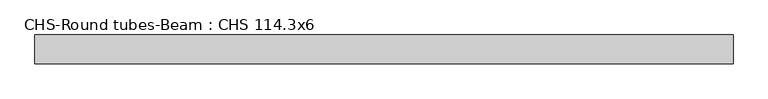
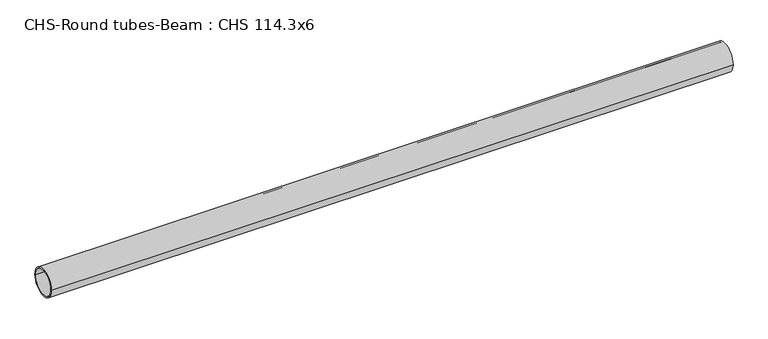
"""IFC4 building model written with IfcOpenShell, lengths in millimetres: beam geometry, CHS-Round tubes-Beam : CHS 114.3x6."""

from ifc_helpers import new_model, si_unit, point, frame, origin, origin_2d, place, context, project, spatial, circle_curve, trimmed, segment, composite_curve, outline, extrude, source, transform, mapped, element, save


def chs_round_tubes_beam_chs_114_3x6_763dfdbf(model_context):
    return source(origin(), model_context, "Body", "SweptSolid", [
        extrude(outline(composite_curve([segment(trimmed(circle_curve(origin_2d(), 57.15), [point((57.15, 0.0))], [point((-57.15, 0.0))], False, "CARTESIAN"), True, "CONTINUOUS"), segment(trimmed(circle_curve(origin_2d(), 57.15), [point((-57.15, 0.0))], [point((57.15, 0.0))], False, "CARTESIAN"), True, "CONTINUOUS")], self_intersect=False), holes=[composite_curve([segment(trimmed(circle_curve(origin_2d(), 51.15), [point((51.15, 0.0))], [point((-51.15, 0.0))], True, "CARTESIAN"), True, "CONTINUOUS"), segment(trimmed(circle_curve(origin_2d(), 51.15), [point((-51.15, 0.0))], [point((51.15, 0.0))], True, "CARTESIAN"), True, "CONTINUOUS")], self_intersect=False)]), frame((-1360.3579836, 0.0, 0.0), z_axis=(1.0, 0.0, 0.0), x_axis=(0.0, 1.0, 0.0)), (0.0, 0.0, 1.0), 2744.6110654),
    ])


if __name__ == "__main__":
    model = new_model("IFC4")
    model_context = context("Model", 3, world=origin())
    ifc_project = project(units=[si_unit("LENGTHUNIT", "METRE", prefix="MILLI")], contexts=[model_context])
    site = spatial("IfcSite", under=ifc_project)
    building = spatial("IfcBuilding", under=site)
    placement = place(None, origin())
    chs_round_tubes_beam_chs_114_3x6_shape = chs_round_tubes_beam_chs_114_3x6_763dfdbf(model_context)
    element("IfcBeam", 1, ObjectType="CHS-Round tubes-Beam : CHS 114.3x6", at=placement, inside=building, context=model_context, shape_type="MappedRepresentation", body=[
        mapped(chs_round_tubes_beam_chs_114_3x6_shape, transform((0.0, 0.0, 0.0), x_axis=(1.0, 0.0, 0.0), y_axis=(0.0, 1.0, 0.0), z_axis=(0.0, 0.0, 1.0))),
    ])
    save(model, "model.ifc")
